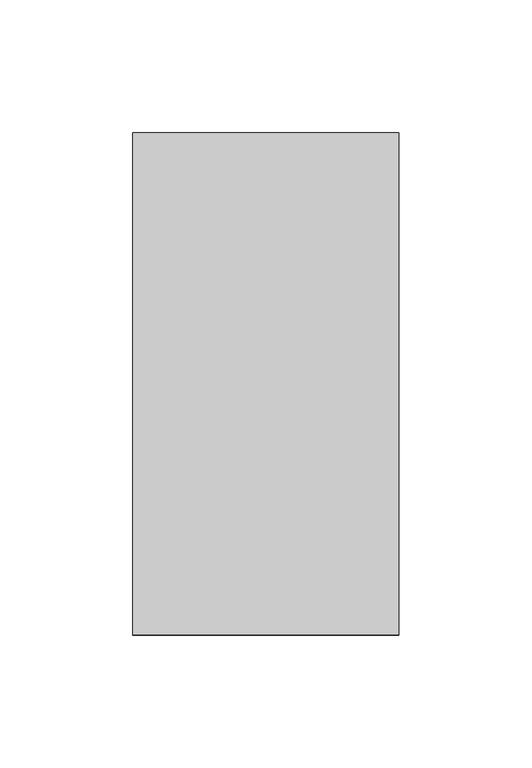
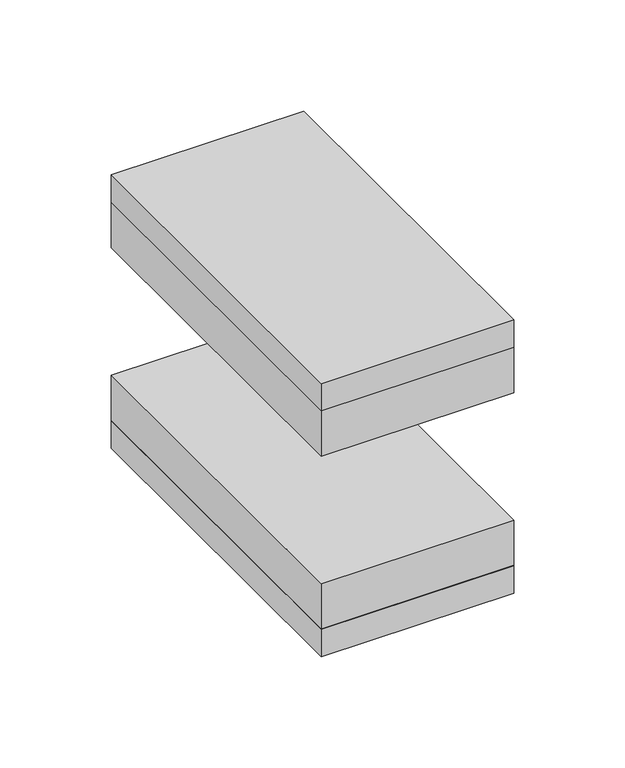
"""IFC4 building model written with IfcOpenShell, lengths in millimetres: proxy geometry."""

from ifc_helpers import new_model, si_unit, frame, origin, place, context, project, spatial, polyline, outline, extrude, source, transform, mapped, element, save


def specialty_equipment_68abfaeb(model_context):
    return source(origin(), model_context, "Body", "SweptSolid", [
        extrude(outline(polyline([(50.0, 94.4), (50.0, -94.4), (-50.0, -94.4), (-50.0, 94.4), (50.0, 94.4)])), frame((0.0, 0.0, -15.0), z_axis=(0.0, 0.0, 1.0), x_axis=(1.0, 0.0, 0.0)), (0.0, 0.0, 1.0), 15.0),
        extrude(outline(polyline([(50.0, 94.4), (50.0, -94.4), (-50.0, -94.4), (-50.0, 94.4), (50.0, 94.4)])), frame((0.0, 0.0, -40.0), z_axis=(0.0, 0.0, 1.0), x_axis=(1.0, 0.0, 0.0)), (0.0, 0.0, 1.0), 25.0),
        extrude(outline(polyline([(50.0, 94.4), (50.0, -94.4), (-50.0, -94.4), (-50.0, 94.4), (50.0, 94.4)])), frame((0.0, 0.0, -150.0), z_axis=(0.0, 0.0, 1.0), x_axis=(1.0, 0.0, 0.0)), (0.0, 0.0, 1.0), 15.0),
        extrude(outline(polyline([(50.0, 94.4), (50.0, -94.4), (-50.0, -94.4), (-50.0, 94.4), (50.0, 94.4)])), frame((0.0, 0.0, -135.0), z_axis=(0.0, 0.0, 1.0), x_axis=(1.0, 0.0, 0.0)), (0.0, 0.0, 1.0), 25.0),
    ])


if __name__ == "__main__":
    model = new_model("IFC4")
    model_context = context("Model", 3, world=origin())
    ifc_project = project(units=[si_unit("LENGTHUNIT", "METRE", prefix="MILLI")], contexts=[model_context])
    site = spatial("IfcSite", under=ifc_project)
    building = spatial("IfcBuilding", under=site)
    placement = place(None, origin())
    specialty_equipment_shape = specialty_equipment_68abfaeb(model_context)
    element("IfcBuildingElementProxy", 1, Name="Specialty Equipment", at=placement, inside=building, context=model_context, shape_type="MappedRepresentation", body=[
        mapped(specialty_equipment_shape, transform((0.0, 0.0, 0.0), x_axis=(1.0, 0.0, 0.0), y_axis=(0.0, 1.0, 0.0), z_axis=(0.0, 0.0, 1.0))),
    ])
    save(model, "model.ifc")
